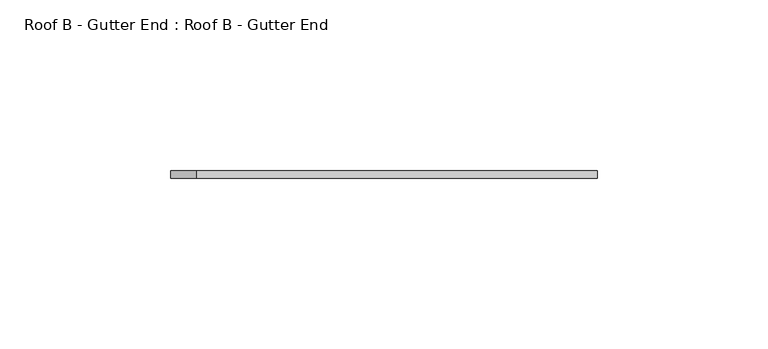
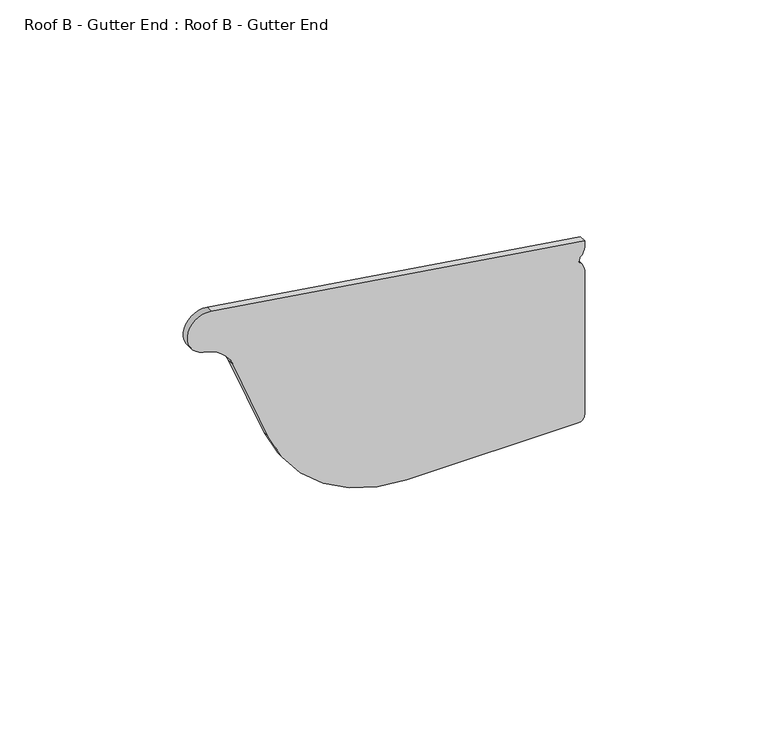
"""IFC4 building model written with IfcOpenShell, lengths in millimetres: proxy geometry, Roof B - Gutter End : Roof B - Gutter End."""

from ifc_helpers import new_model, si_unit, point, frame, frame_2d, origin, place, context, project, spatial, polyline, circle_curve, trimmed, segment, composite_curve, outline, extrude, source, transform, mapped, element, save


def roof_b_gutter_end_roof_b_gutter_end_4bea0758(model_context):
    return source(origin(), model_context, "Body", "SweptSolid", [
        extrude(outline(composite_curve([segment(polyline([(3180.6763391, -609.9561164), (3180.6763391, -555.9561164)]), True, "CONTINUOUS"), segment(trimmed(circle_curve(frame_2d((3182.6763391, -555.9561164)), 2.0), [point((3180.6763391, -555.9561164))], [point((3182.6763391, -553.9561164))], False, "CARTESIAN"), True, "CONTINUOUS"), segment(polyline([(3182.6763391, -553.9561164), (3230.6370105, -553.9561164)]), True, "CONTINUOUS"), segment(trimmed(circle_curve(frame_2d((3230.5307477, -558.2647789)), 4.3099726), [point((3230.6370105, -553.9561164))], [point((3233.6002352, -555.2392028))], False, "CARTESIAN"), True, "CONTINUOUS"), segment(trimmed(circle_curve(frame_2d((3234.6002352, -554.2535086)), 1.4041343), [point((3233.6002352, -555.2392028))], [point((3235.6002352, -555.2392028))], True, "CARTESIAN"), True, "CONTINUOUS"), segment(trimmed(circle_curve(frame_2d((3238.6697226, -558.2647789)), 4.3099726), [point((3235.6002352, -555.2392028))], [point((3238.5634599, -553.9561164))], False, "CARTESIAN"), True, "CONTINUOUS"), segment(polyline([(3238.5634599, -553.9561164), (3240.5885717, -553.9561164), (3258.218254, -671.4825196)]), True, "CONTINUOUS"), segment(trimmed(circle_curve(frame_2d((3251.7817717, -672.4480315)), 6.5084958), [point((3258.218254, -671.4825196))], [point((3245.4719989, -674.0440531))], False, "CARTESIAN"), True, "CONTINUOUS"), segment(trimmed(circle_curve(frame_2d((3233.6974373, -675.6358894)), 11.8816767), [point((3245.4719989, -674.0440531))], [point((3238.0905136, -664.5961827))], True, "CARTESIAN"), True, "CONTINUOUS"), segment(polyline([(3238.0905136, -664.5961827), (3210.2164005, -653.5041215)]), True, "CONTINUOUS"), segment(trimmed(circle_curve(frame_2d((3227.5456386, -609.9561164)), 46.8692995), [point((3210.2164005, -653.5041215))], [point((3180.6763391, -609.9561164))], False, "CARTESIAN"), True, "CONTINUOUS")], self_intersect=False)), frame((0.0, -67.0, 0.0), z_axis=(0.0, 1.0, 0.0), x_axis=(0.0, 0.0, 1.0)), (0.0, 0.0, 1.0), 2.2149942),
    ])


if __name__ == "__main__":
    model = new_model("IFC4")
    model_context = context("Model", 3, world=origin())
    ifc_project = project(units=[si_unit("LENGTHUNIT", "METRE", prefix="MILLI")], contexts=[model_context])
    site = spatial("IfcSite", under=ifc_project)
    building = spatial("IfcBuilding", under=site)
    placement = place(None, origin())
    roof_b_gutter_end_roof_b_gutter_end_shape = roof_b_gutter_end_roof_b_gutter_end_4bea0758(model_context)
    element("IfcBuildingElementProxy", 1, Name="Roof B - Gutter End : Roof B - Gutter End", ObjectType="Roof B - Gutter End : Roof B - Gutter End", at=placement, inside=building, context=model_context, shape_type="MappedRepresentation", body=[
        mapped(roof_b_gutter_end_roof_b_gutter_end_shape, transform((0.0, 0.0, 0.0), x_axis=(1.0, 0.0, 0.0), y_axis=(0.0, 1.0, 0.0), z_axis=(0.0, 0.0, 1.0))),
    ])
    save(model, "model.ifc")
